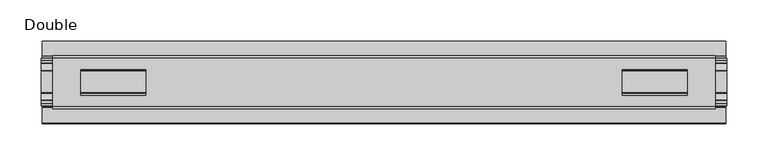
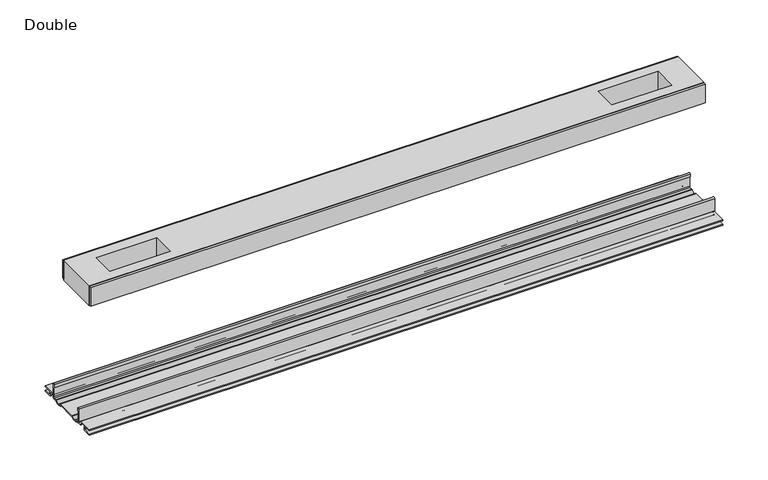
"""IFC4 building model written with IfcOpenShell, lengths in millimetres: proxy geometry, Double."""

from ifc_helpers import new_model, si_unit, point, frame, frame_2d, origin, place, context, project, spatial, polyline, circle_curve, trimmed, segment, composite_curve, outline, extrude, source, transform, mapped, element, save


def double_848c6b0f(model_context):
    return source(origin(), model_context, "Body", "SweptSolid", [
        extrude(outline(polyline([(403.1615091, -29.0068005), (403.1615091, -32.1817997), (-403.1615091, -32.1817997), (-403.1615091, -29.0068005), (403.1615091, -29.0068005)])), frame((0.0, 0.0, 149.8401622), z_axis=(0.0, 0.0, 1.0), x_axis=(1.0, 0.0, 0.0)), (0.0, 0.0, 1.0), 25.3999939),
        extrude(outline(polyline([(403.1615091, 32.1817997), (403.1615091, 29.0068005), (-403.1615091, 29.0068005), (-403.1615091, 32.1817997), (403.1615091, 32.1817997)])), frame((0.0, 0.0, 149.8401622), z_axis=(0.0, 0.0, 1.0), x_axis=(1.0, 0.0, 0.0)), (0.0, 0.0, 1.0), 25.3999939),
        extrude(outline(polyline([(403.1615091, 29.0068005), (403.1615091, -29.0068005), (-403.1615091, -29.0068005), (-403.1615091, 29.0068005), (403.1615091, 29.0068005)]), holes=[polyline([(368.7444965, 15.1130038), (289.6996847, 15.1130038), (289.6996847, -15.875003), (368.7444965, -15.875003), (368.7444965, 15.1130038)]), polyline([(-368.7444965, 15.1130038), (-368.7444965, -15.875003), (-289.6996847, -15.875003), (-289.6996847, 15.1130038), (-368.7444965, 15.1130038)])]), frame((0.0, 0.0, 148.4185847), z_axis=(0.0, 0.0, 1.0), x_axis=(1.0, 0.0, 0.0)), (0.0, 0.0, 1.0), 27.9999988),
        extrude(outline(composite_curve([segment(polyline([(-28.8162961, -7.7516037), (-28.8162961, 9.8607558)]), True, "CONTINUOUS"), segment(trimmed(circle_curve(frame_2d((-27.5970982, 9.8607558)), 1.2191979), [point((-28.8162961, 9.8607558))], [point((-26.3779003, 9.8607558))], False, "CARTESIAN"), True, "CONTINUOUS"), segment(polyline([(-26.3779003, 9.8607558), (-26.3779003, 5.9999563), (-27.6580769, 5.9999563), (-27.6580769, -7.7516037)]), True, "CONTINUOUS"), segment(trimmed(circle_curve(frame_2d((-26.6420561, -7.7516037)), 1.0160208), [point((-27.6580769, -7.7516037))], [point((-26.6485732, -8.7676036))], True, "CARTESIAN"), True, "CONTINUOUS"), segment(polyline([(-26.6485732, -8.7676036), (-22.7056226, -8.7676036), (-21.7922609, -8.968753)]), True, "CONTINUOUS"), segment(trimmed(circle_curve(frame_2d((-17.7673021, -6.1259382)), 4.9276657), [point((-21.7922609, -8.968753))], [point((-13.7423434, -8.968753))], True, "CARTESIAN"), True, "CONTINUOUS"), segment(polyline([(-13.7423434, -8.968753), (-12.8289726, -8.7676036), (13.2099722, -8.7676036), (14.123343, -8.968753)]), True, "CONTINUOUS"), segment(trimmed(circle_curve(frame_2d((18.1483018, -6.1259382)), 4.9276657), [point((14.123343, -8.968753))], [point((22.1732605, -8.968753))], True, "CARTESIAN"), True, "CONTINUOUS"), segment(polyline([(22.1732605, -8.968753), (23.0866222, -8.7676036), (27.0295728, -8.7676036)]), True, "CONTINUOUS"), segment(trimmed(circle_curve(frame_2d((27.0230557, -7.7516037)), 1.0160208), [point((27.0295728, -8.7676036))], [point((28.0390765, -7.7516037))], True, "CARTESIAN"), True, "CONTINUOUS"), segment(polyline([(28.0390765, -7.7516037), (28.0390765, 5.9999563), (26.7588999, 5.9999563), (26.7588999, 9.8607558)]), True, "CONTINUOUS"), segment(trimmed(circle_curve(frame_2d((27.9780978, 9.8607558)), 1.2191979), [point((26.7588999, 9.8607558))], [point((29.1972958, 9.8607558))], False, "CARTESIAN"), True, "CONTINUOUS"), segment(polyline([(29.1972958, 9.8607558), (29.1972958, -7.7516037)]), True, "CONTINUOUS"), segment(trimmed(circle_curve(frame_2d((27.0230557, -7.7516037)), 2.17424), [point((29.1972958, -7.7516037))], [point((27.0230557, -9.9258438))], False, "CARTESIAN"), True, "CONTINUOUS"), segment(polyline([(27.0230557, -9.9258438), (22.732069, -9.9258438)]), True, "CONTINUOUS"), segment(trimmed(circle_curve(frame_2d((18.1516545, -6.4800016)), 5.7318431), [point((22.732069, -9.9258438))], [point((13.57124, -9.9258438))], False, "CARTESIAN"), True, "CONTINUOUS"), segment(polyline([(13.57124, -9.9258438), (-13.1902404, -9.9258438)]), True, "CONTINUOUS"), segment(trimmed(circle_curve(frame_2d((-17.7706549, -6.4800016)), 5.7318431), [point((-13.1902404, -9.9258438))], [point((-22.3510694, -9.9258438))], False, "CARTESIAN"), True, "CONTINUOUS"), segment(polyline([(-22.3510694, -9.9258438), (-26.6420561, -9.9258438)]), True, "CONTINUOUS"), segment(trimmed(circle_curve(frame_2d((-26.6420561, -7.7516037)), 2.17424), [point((-26.6420561, -9.9258438))], [point((-28.8162961, -7.7516037))], False, "CARTESIAN"), True, "CONTINUOUS")], self_intersect=False)), frame((-417.2204, 0.0, 0.0), z_axis=(1.0, 0.0, 0.0), x_axis=(0.0, 1.0, 0.0)), (0.0, 0.0, 1.0), 834.4408),
        extrude(outline(composite_curve([segment(polyline([(-50.2668422, -13.9898438), (-50.2240211, -12.3388438), (-39.7827507, -12.3388438), (-39.7827507, -7.766844), (-50.2240211, -7.766844), (-50.2668422, -6.1158439), (-31.1784975, -6.1158439)]), True, "CONTINUOUS"), segment(trimmed(circle_curve(frame_2d((-31.1784975, -7.6398436)), 1.5239997), [point((-31.1784975, -6.1158439))], [point((-29.6544978, -7.6398436))], False, "CARTESIAN"), True, "CONTINUOUS"), segment(polyline([(-29.6544978, -7.6398436), (-29.6544978, -9.9258438), (-23.1058344, -9.9258438)]), True, "CONTINUOUS"), segment(trimmed(circle_curve(frame_2d((-17.7673021, -5.2268471)), 7.1119966), [point((-23.1058344, -9.9258438))], [point((-12.4287699, -9.9258438))], True, "CARTESIAN"), True, "CONTINUOUS"), segment(polyline([(-12.4287699, -9.9258438), (12.8097695, -9.9258438)]), True, "CONTINUOUS"), segment(trimmed(circle_curve(frame_2d((18.1483018, -5.2268471)), 7.1119966), [point((12.8097695, -9.9258438))], [point((23.486834, -9.9258438))], True, "CARTESIAN"), True, "CONTINUOUS"), segment(polyline([(23.486834, -9.9258438), (30.0354975, -9.9258438), (30.0354975, -7.7656583)]), True, "CONTINUOUS"), segment(trimmed(circle_curve(frame_2d((31.6864982, -7.7656583)), 1.6510007), [point((30.0354975, -7.7656583))], [point((31.6239218, -6.1158439))], False, "CARTESIAN"), True, "CONTINUOUS"), segment(polyline([(31.6239218, -6.1158439), (50.00625, -6.1158439), (50.00625, -7.766844), (40.1637503, -7.766844), (40.1637503, -12.3388438), (50.00625, -12.3388438), (50.00625, -13.9898438), (40.0367518, -13.9898438)]), True, "CONTINUOUS"), segment(trimmed(circle_curve(frame_2d((40.0367518, -12.4658438)), 1.524), [point((40.0367518, -13.9898438))], [point((38.5127519, -12.4658438))], False, "CARTESIAN"), True, "CONTINUOUS"), segment(polyline([(38.5127519, -12.4658438), (38.5127519, -7.766844), (31.686497, -7.766844), (31.686497, -10.0528438)]), True, "CONTINUOUS"), segment(trimmed(circle_curve(frame_2d((30.1624971, -10.0528438)), 1.524), [point((31.686497, -10.0528438))], [point((30.1624971, -11.5768438))], False, "CARTESIAN"), True, "CONTINUOUS"), segment(polyline([(30.1624971, -11.5768438), (23.6563549, -11.5768438)]), True, "CONTINUOUS"), segment(trimmed(circle_curve(frame_2d((18.1483018, -6.4968436)), 7.4930002), [point((23.6563549, -11.5768438))], [point((12.8904968, -11.8354331))], False, "CARTESIAN"), True, "CONTINUOUS"), segment(polyline([(12.8904968, -11.8354331), (-12.5094972, -11.8354331)]), True, "CONTINUOUS"), segment(trimmed(circle_curve(frame_2d((-17.7673021, -6.4968436)), 7.4930002), [point((-12.5094972, -11.8354331))], [point((-23.2753553, -11.5768438))], False, "CARTESIAN"), True, "CONTINUOUS"), segment(polyline([(-23.2753553, -11.5768438), (-29.7814974, -11.5768438)]), True, "CONTINUOUS"), segment(trimmed(circle_curve(frame_2d((-29.7814974, -10.0528438)), 1.524), [point((-29.7814974, -11.5768438))], [point((-31.3054974, -10.0528438))], False, "CARTESIAN"), True, "CONTINUOUS"), segment(polyline([(-31.3054974, -10.0528438), (-31.3054974, -7.766844), (-38.1317522, -7.766844), (-38.1317522, -12.4658438)]), True, "CONTINUOUS"), segment(trimmed(circle_curve(frame_2d((-39.6557522, -12.4658438)), 1.524), [point((-38.1317522, -12.4658438))], [point((-39.6557522, -13.9898438))], False, "CARTESIAN"), True, "CONTINUOUS"), segment(polyline([(-39.6557522, -13.9898438), (-50.2668422, -13.9898438)]), True, "CONTINUOUS")], self_intersect=False)), frame((-415.5694, 0.0, 0.0), z_axis=(1.0, 0.0, 0.0), x_axis=(0.0, 1.0, 0.0)), (0.0, 0.0, 1.0), 831.1388),
    ])


if __name__ == "__main__":
    model = new_model("IFC4")
    model_context = context("Model", 3, world=origin())
    ifc_project = project(units=[si_unit("LENGTHUNIT", "METRE", prefix="MILLI")], contexts=[model_context])
    site = spatial("IfcSite", under=ifc_project)
    building = spatial("IfcBuilding", under=site)
    placement = place(None, origin())
    double_shape = double_848c6b0f(model_context)
    element("IfcBuildingElementProxy", 1, Name="Double", ObjectType="Double", at=placement, inside=building, context=model_context, shape_type="MappedRepresentation", body=[
        mapped(double_shape, transform((0.0, 0.0, 0.0), x_axis=(1.0, 0.0, 0.0), y_axis=(0.0, 1.0, 0.0), z_axis=(0.0, 0.0, 1.0))),
    ])
    save(model, "model.ifc")
